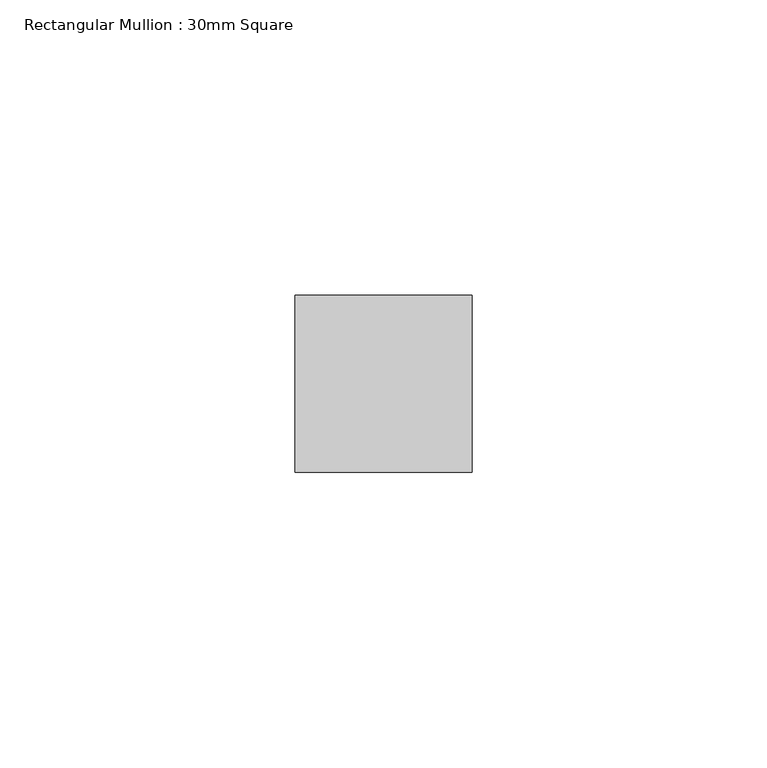
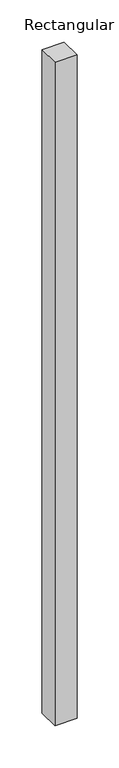
"""IFC4 building model written with IfcOpenShell, lengths in millimetres: member geometry, Rectangular Mullion : 30mm Square."""

from ifc_helpers import new_model, si_unit, frame, origin, place, context, project, spatial, polyline, outline, extrude, source, transform, mapped, element, save


def rectangular_mullion_30mm_square_49a9bc83(model_context):
    return source(origin(), model_context, "Body", "SweptSolid", [
        extrude(outline(polyline([(15.0, 15.0), (15.0, -15.0), (-15.0, -15.0), (-15.0, 15.0), (15.0, 15.0)])), frame((0.0, 0.0, -955.6760535), z_axis=(0.0, 0.0, 1.0), x_axis=(1.0, 0.0, 0.0)), (0.0, 0.0, 1.0), 955.6760535),
    ])


if __name__ == "__main__":
    model = new_model("IFC4")
    model_context = context("Model", 3, world=origin())
    ifc_project = project(units=[si_unit("LENGTHUNIT", "METRE", prefix="MILLI")], contexts=[model_context])
    site = spatial("IfcSite", under=ifc_project)
    building = spatial("IfcBuilding", under=site)
    placement = place(None, origin())
    rectangular_mullion_30mm_square_shape = rectangular_mullion_30mm_square_49a9bc83(model_context)
    element("IfcMember", 1, ObjectType="Rectangular Mullion : 30mm Square", at=placement, inside=building, context=model_context, shape_type="MappedRepresentation", body=[
        mapped(rectangular_mullion_30mm_square_shape, transform((0.0, 0.0, 0.0), x_axis=(1.0, 0.0, 0.0), y_axis=(0.0, 1.0, 0.0), z_axis=(0.0, 0.0, 1.0))),
    ])
    save(model, "model.ifc")
